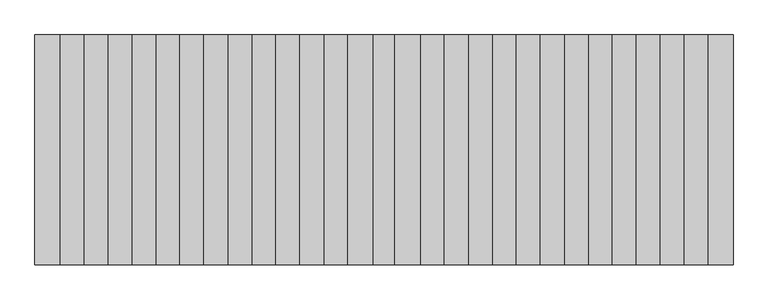
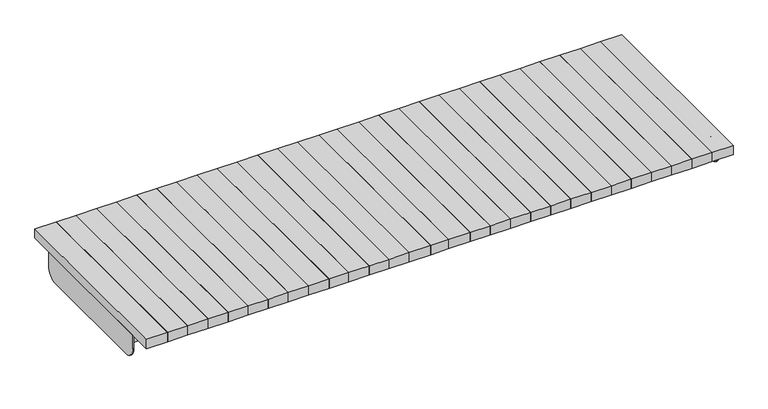
"""IFC4 building model written with IfcOpenShell, lengths in millimetres: furniture geometry."""

from ifc_helpers import new_model, si_unit, frame, origin, place, context, project, spatial, polyline, circle_curve, outline, extrude, source, transform, mapped, element, save
from ifc_brep_helpers import plane_surface, cylinder_surface, revolved_surface, advanced_brep


def furniture_a8c7e746(model_context):
    return source(origin(), model_context, "Body", "SolidModel", [
        extrude(outline(polyline([(124.6248424, -397.505), (37.4933335, -397.505), (37.4933335, 397.495), (124.6248424, 397.495), (124.6248424, -397.505)])), frame((0.0, 0.0, 400.0199971), z_axis=(0.0, 0.0, 1.0), x_axis=(1.0, 0.0, 0.0)), (0.0, 0.0, 1.0), 40.0000027),
        extrude(outline(polyline([(207.3325448, -397.505), (124.6248424, -397.505), (124.6248424, 397.495), (207.3325448, 397.495), (207.3325448, -397.505)])), frame((0.0, 0.0, 400.0199971), z_axis=(0.0, 0.0, 1.0), x_axis=(1.0, 0.0, 0.0)), (0.0, 0.0, 1.0), 40.0000027),
        extrude(outline(polyline([(290.8917209, -397.505), (207.3325448, -397.505), (207.3325448, 397.495), (290.8917209, 397.495), (290.8917209, -397.505)])), frame((0.0, 0.0, 400.0199971), z_axis=(0.0, 0.0, 1.0), x_axis=(1.0, 0.0, 0.0)), (0.0, 0.0, 1.0), 40.0000027),
        extrude(outline(polyline([(373.8901358, -397.505), (290.8917209, -397.505), (290.8917209, 397.495), (373.8901358, 397.495), (373.8901358, -397.505)])), frame((0.0, 0.0, 400.0199971), z_axis=(0.0, 0.0, 1.0), x_axis=(1.0, 0.0, 0.0)), (0.0, 0.0, 1.0), 40.0000027),
        extrude(outline(polyline([(455.8917209, -397.505), (373.8901358, -397.505), (373.8901358, 397.495), (455.8917209, 397.495), (455.8917209, -397.505)])), frame((0.0, 0.0, 400.0199971), z_axis=(0.0, 0.0, 1.0), x_axis=(1.0, 0.0, 0.0)), (0.0, 0.0, 1.0), 40.0000027),
        extrude(outline(polyline([(538.8901358, -397.505), (455.8917209, -397.505), (455.8917209, 397.495), (538.8901358, 397.495), (538.8901358, -397.505)])), frame((0.0, 0.0, 400.0199971), z_axis=(0.0, 0.0, 1.0), x_axis=(1.0, 0.0, 0.0)), (0.0, 0.0, 1.0), 40.0000027),
        extrude(outline(polyline([(623.0197305, -397.505), (538.8901358, -397.505), (538.8901358, 397.495), (623.0197305, 397.495), (623.0197305, -397.505)])), frame((0.0, 0.0, 400.0199971), z_axis=(0.0, 0.0, 1.0), x_axis=(1.0, 0.0, 0.0)), (0.0, 0.0, 1.0), 40.0000027),
        extrude(outline(polyline([(706.1745079, -397.505), (623.0197305, -397.505), (623.0197305, 397.495), (706.1745079, 397.495), (706.1745079, -397.505)])), frame((0.0, 0.0, 400.0199971), z_axis=(0.0, 0.0, 1.0), x_axis=(1.0, 0.0, 0.0)), (0.0, 0.0, 1.0), 40.0000027),
        extrude(outline(polyline([(788.0197305, -397.505), (706.1745079, -397.505), (706.1745079, 397.495), (788.0197305, 397.495), (788.0197305, -397.505)])), frame((0.0, 0.0, 400.0199971), z_axis=(0.0, 0.0, 1.0), x_axis=(1.0, 0.0, 0.0)), (0.0, 0.0, 1.0), 40.0000027),
        extrude(outline(polyline([(871.1745079, -397.505), (788.0197305, -397.505), (788.0197305, 397.495), (871.1745079, 397.495), (871.1745079, -397.505)])), frame((0.0, 0.0, 400.0199971), z_axis=(0.0, 0.0, 1.0), x_axis=(1.0, 0.0, 0.0)), (0.0, 0.0, 1.0), 40.0000027),
        extrude(outline(polyline([(953.0197305, -397.505), (871.1745079, -397.505), (871.1745079, 397.495), (953.0197305, 397.495), (953.0197305, -397.505)])), frame((0.0, 0.0, 400.0199971), z_axis=(0.0, 0.0, 1.0), x_axis=(1.0, 0.0, 0.0)), (0.0, 0.0, 1.0), 40.0000027),
        extrude(outline(polyline([(1037.4999996, -397.505), (953.0197305, -397.505), (953.0197305, 397.495), (1037.4999996, 397.495), (1037.4999996, -397.505)])), frame((0.0, 0.0, 400.0199971), z_axis=(0.0, 0.0, 1.0), x_axis=(1.0, 0.0, 0.0)), (0.0, 0.0, 1.0), 40.0000027),
        extrude(outline(polyline([(1120.5439155, -397.505), (1037.4999996, -397.505), (1037.4999996, 397.495), (1120.5439155, 397.495), (1120.5439155, -397.505)])), frame((0.0, 0.0, 400.0199971), z_axis=(0.0, 0.0, 1.0), x_axis=(1.0, 0.0, 0.0)), (0.0, 0.0, 1.0), 40.0000027),
        extrude(outline(polyline([(1207.4999996, -397.505), (1120.5439155, -397.505), (1120.5439155, 397.495), (1207.4999996, 397.495), (1207.4999996, -397.505)])), frame((0.0, 0.0, 400.0199971), z_axis=(0.0, 0.0, 1.0), x_axis=(1.0, 0.0, 0.0)), (0.0, 0.0, 1.0), 40.0000027),
        extrude(outline(polyline([(37.5066677, -397.505), (-37.4933335, -397.505), (-37.4933335, 397.495), (37.5066677, 397.495), (37.5066677, -397.505)])), frame((0.0, 0.0, 400.0199971), z_axis=(0.0, 0.0, 1.0), x_axis=(1.0, 0.0, 0.0)), (0.0, 0.0, 1.0), 40.0000027),
        extrude(outline(polyline([(-37.4933335, -397.505), (-124.6248424, -397.505), (-124.6248424, 397.495), (-37.4933335, 397.495), (-37.4933335, -397.505)])), frame((0.0, 0.0, 400.0199971), z_axis=(0.0, 0.0, 1.0), x_axis=(1.0, 0.0, 0.0)), (0.0, 0.0, 1.0), 40.0000027),
        extrude(outline(polyline([(-124.6248424, -397.505), (-207.3325448, -397.505), (-207.3325448, 397.495), (-124.6248424, 397.495), (-124.6248424, -397.505)])), frame((0.0, 0.0, 400.0199971), z_axis=(0.0, 0.0, 1.0), x_axis=(1.0, 0.0, 0.0)), (0.0, 0.0, 1.0), 40.0000027),
        extrude(outline(polyline([(-207.3325448, -397.505), (-290.8917209, -397.505), (-290.8917209, 397.495), (-207.3325448, 397.495), (-207.3325448, -397.505)])), frame((0.0, 0.0, 400.0199971), z_axis=(0.0, 0.0, 1.0), x_axis=(1.0, 0.0, 0.0)), (0.0, 0.0, 1.0), 40.0000027),
        extrude(outline(polyline([(-290.8917209, -397.505), (-373.8901358, -397.505), (-373.8901358, 397.495), (-290.8917209, 397.495), (-290.8917209, -397.505)])), frame((0.0, 0.0, 400.0199971), z_axis=(0.0, 0.0, 1.0), x_axis=(1.0, 0.0, 0.0)), (0.0, 0.0, 1.0), 40.0000027),
        extrude(outline(polyline([(-373.8901358, -397.505), (-455.8917209, -397.505), (-455.8917209, 397.495), (-373.8901358, 397.495), (-373.8901358, -397.505)])), frame((0.0, 0.0, 400.0199971), z_axis=(0.0, 0.0, 1.0), x_axis=(1.0, 0.0, 0.0)), (0.0, 0.0, 1.0), 40.0000027),
        extrude(outline(polyline([(-455.8917209, -397.505), (-538.8901358, -397.505), (-538.8901358, 397.495), (-455.8917209, 397.495), (-455.8917209, -397.505)])), frame((0.0, 0.0, 400.0199971), z_axis=(0.0, 0.0, 1.0), x_axis=(1.0, 0.0, 0.0)), (0.0, 0.0, 1.0), 40.0000027),
        extrude(outline(polyline([(-538.8901358, -397.505), (-623.0197305, -397.505), (-623.0197305, 397.495), (-538.8901358, 397.495), (-538.8901358, -397.505)])), frame((0.0, 0.0, 400.0199971), z_axis=(0.0, 0.0, 1.0), x_axis=(1.0, 0.0, 0.0)), (0.0, 0.0, 1.0), 40.0000027),
        extrude(outline(polyline([(-623.0197305, -397.505), (-706.1745079, -397.505), (-706.1745079, 397.495), (-623.0197305, 397.495), (-623.0197305, -397.505)])), frame((0.0, 0.0, 400.0199971), z_axis=(0.0, 0.0, 1.0), x_axis=(1.0, 0.0, 0.0)), (0.0, 0.0, 1.0), 40.0000027),
        extrude(outline(polyline([(-706.1745079, -397.505), (-788.0197305, -397.505), (-788.0197305, 397.495), (-706.1745079, 397.495), (-706.1745079, -397.505)])), frame((0.0, 0.0, 400.0199971), z_axis=(0.0, 0.0, 1.0), x_axis=(1.0, 0.0, 0.0)), (0.0, 0.0, 1.0), 40.0000027),
        extrude(outline(polyline([(-788.0197305, -397.505), (-871.1745079, -397.505), (-871.1745079, 397.495), (-788.0197305, 397.495), (-788.0197305, -397.505)])), frame((0.0, 0.0, 400.0199971), z_axis=(0.0, 0.0, 1.0), x_axis=(1.0, 0.0, 0.0)), (0.0, 0.0, 1.0), 40.0000027),
        extrude(outline(polyline([(-871.1745079, -397.505), (-953.0197305, -397.505), (-953.0197305, 397.495), (-871.1745079, 397.495), (-871.1745079, -397.505)])), frame((0.0, 0.0, 400.0199971), z_axis=(0.0, 0.0, 1.0), x_axis=(1.0, 0.0, 0.0)), (0.0, 0.0, 1.0), 40.0000027),
        extrude(outline(polyline([(-953.0197305, -397.505), (-1037.4999996, -397.505), (-1037.4999996, 397.495), (-953.0197305, 397.495), (-953.0197305, -397.505)])), frame((0.0, 0.0, 400.0199971), z_axis=(0.0, 0.0, 1.0), x_axis=(1.0, 0.0, 0.0)), (0.0, 0.0, 1.0), 40.0000027),
        extrude(outline(polyline([(-1037.4999996, -397.505), (-1120.5439155, -397.505), (-1120.5439155, 397.495), (-1037.4999996, 397.495), (-1037.4999996, -397.505)])), frame((0.0, 0.0, 400.0199971), z_axis=(0.0, 0.0, 1.0), x_axis=(1.0, 0.0, 0.0)), (0.0, 0.0, 1.0), 40.0000027),
        extrude(outline(polyline([(-1120.5439155, -397.505), (-1207.4999996, -397.505), (-1207.4999996, 397.495), (-1120.5439155, 397.495), (-1120.5439155, -397.505)])), frame((0.0, 0.0, 400.0199971), z_axis=(0.0, 0.0, 1.0), x_axis=(1.0, 0.0, 0.0)), (0.0, 0.0, 1.0), 40.0000027),
        advanced_brep(
        [(1202.5, -255.0052389, 330.6662178), (-1202.5, -255.0052389, 330.6662178), (-1202.4999996, -250.0052389, 330.666218), (1202.5, -250.0052389, 330.666218), (-1202.4999996, -250.0052408, 394.2199807), (1202.5, -250.0052408, 394.2199807), (-1202.4999996, -255.8052409, 400.0199805), (1202.5, -255.8052409, 400.0199808), (1207.4999996, -300.0050034, 400.019979), (1207.4999996, 299.9949966, 400.0200001), (-1207.4999996, 299.9949966, 400.0200001), (-1207.4999996, -300.0050034, 400.019979), (-1202.5, 255.809779, 400.0199986), (1202.5, 255.8052409, 400.0199986), (-1202.5, -300.0050033, 395.019979), (1202.5, -300.0050033, 395.019979), (1202.4999996, -300.0050016, 340.0199792), (1207.4999996, -300.0050016, 340.0199792), (-1207.4999996, -300.0050016, 340.0199792), (-1202.4999996, -300.0050016, 340.0199792), (-1202.4999996, -255.8052408, 395.0199803), (1202.5, -255.8052408, 395.0199803), (-1202.4999996, -255.0052408, 394.2199806), (1202.5, -255.0052443, 394.2199806), (-1202.4999996, -250.0050001, 290.0199807), (-1202.4999996, 249.9949999, 290.0199956), (-1202.4999996, 299.9949984, 340.0199971), (-1202.4999996, 299.9949967, 395.019979), (-1202.4999996, 255.8052408, 395.0199803), (-1202.4999996, 255.0052408, 394.2199806), (-1202.4999996, 255.0052389, 330.6662178), (-1202.4999996, 250.0052389, 330.666218), (-1202.4999996, 250.0052408, 394.2199807), (-1207.4999996, -250.0050001, 290.0199807), (-1207.4999996, 299.9949984, 340.0199971), (-1207.4999996, 249.9949999, 290.0199956), (1207.4999996, 299.9949984, 340.0199971), (1202.4999996, 299.9949984, 340.0199971), (1202.4999996, 299.9949967, 395.019979), (1202.5, 250.0052389, 330.666218), (1202.5, 255.0052389, 330.6662178), (1202.4999996, 250.0052408, 394.2199807), (1202.4999996, 255.8052408, 395.0199803), (1202.4999996, 255.0052443, 394.2199806), (1202.4999996, -250.0050001, 290.0199807), (1202.4999996, 249.9949999, 290.0199956), (1207.4999996, -250.0050001, 290.0199807), (1207.4999996, 249.9949999, 290.0199956)],
        [
            (0, 1),
            (1, 2),
            (2, 3),
            (3, 0),
            (2, 4),
            (4, 5),
            (5, 3),
            (4, 6, circle_curve(frame((-1202.4999996, -255.8052408, 394.2199805), z_axis=(1.0, -1.4729793506691864e-09, 1.0058524330582065e-10), x_axis=(1.4729793476701106e-09, 0.9999999999999997, 2.981625631411015e-08)), 5.8)),
            (6, 7),
            (7, 5, circle_curve(frame((1202.4999996, -255.8052443, 394.2199808), z_axis=(-1.0, 1.4729793506691864e-09, -1.0058524330582065e-10), x_axis=(1.4729793476701106e-09, 0.9999999999999997, 2.981625631411015e-08)), 5.8)),
            (8, 9),
            (9, 10),
            (10, 11),
            (11, 8),
            (6, 12),
            (12, 13),
            (13, 7),
            (14, 15),
            (15, 16),
            (16, 17),
            (17, 8),
            (11, 18),
            (18, 19),
            (19, 14),
            (14, 20),
            (20, 21),
            (21, 15),
            (20, 22, circle_curve(frame((-1202.4999996, -255.8052408, 394.2199805), z_axis=(-1.0, 1.4710073188825736e-09, -1.0253393730869114e-10), x_axis=(1.471007315816462e-09, 0.9999999999999996, 2.9903375772732716e-08)), 0.8)),
            (22, 23),
            (23, 21, circle_curve(frame((1202.4999996, -255.8052443, 394.2199808), z_axis=(1.0, -1.4710073188825736e-09, 1.0253393730869114e-10), x_axis=(1.471007315816462e-09, 0.9999999999999996, 2.9903375772732716e-08)), 0.8)),
            (0, 23),
            (22, 1),
            (24, 25),
            (25, 26, circle_curve(frame((-1202.4999996, 249.9949984, 340.0199956), z_axis=(1.0, -1.4728238285674491e-09, 1.0072284213799856e-10), x_axis=(1.472823825565667e-09, 0.9999999999999996, 2.980239029426424e-08)), 50.0)),
            (26, 27),
            (27, 28),
            (28, 29, circle_curve(frame((-1202.4999996, 255.8052408, 394.2199805), z_axis=(1.0, 1.4710073188825736e-09, 1.0253393730869114e-10), x_axis=(1.471007315816462e-09, -0.9999999999999996, 2.9903375772732716e-08)), 0.8)),
            (29, 30),
            (30, 31),
            (31, 32),
            (32, 12, circle_curve(frame((-1202.4999996, 255.8052408, 394.2199805), z_axis=(-1.0, -1.4729793506691864e-09, -1.0058524330582065e-10), x_axis=(1.4729793476701106e-09, -0.9999999999999997, 2.981625631411015e-08)), 5.8)),
            (19, 24, circle_curve(frame((-1202.4999996, -250.0050016, 340.0199807), z_axis=(1.0, -1.4728238285671511e-09, 1.0071201346671231e-10), x_axis=(1.0071205736039778e-10, 2.980240044614414e-08, -0.9999999999999996)), 50.0)),
            (33, 18, circle_curve(frame((-1207.4999996, -250.0050016, 340.0199807), z_axis=(-1.0, 1.4728238285671511e-09, -1.0071201346671231e-10), x_axis=(1.0071205736039778e-10, 2.980240044614414e-08, -0.9999999999999996)), 50.0)),
            (10, 34),
            (34, 35, circle_curve(frame((-1207.4999997, 249.9949984, 340.0199956), z_axis=(-1.0, 1.4728238285674491e-09, -1.0072284213799856e-10), x_axis=(1.472823825565667e-09, 0.9999999999999996, 2.980239029426424e-08)), 50.0)),
            (35, 33),
            (24, 33),
            (35, 25),
            (34, 26),
            (9, 36),
            (36, 37),
            (37, 38),
            (38, 27),
            (39, 31),
            (30, 40),
            (40, 39),
            (39, 41),
            (41, 32),
            (41, 13, circle_curve(frame((1202.4999996, 255.8052443, 394.2199808), z_axis=(-1.0, -1.4729793506691864e-09, -1.0058524330582065e-10), x_axis=(1.4729793476701106e-09, -0.9999999999999997, 2.981625631411015e-08)), 5.8)),
            (38, 42),
            (42, 28),
            (42, 43, circle_curve(frame((1202.4999996, 255.8052443, 394.2199808), z_axis=(1.0, 1.4710073188825736e-09, 1.0253393730869114e-10), x_axis=(1.471007315816462e-09, -0.9999999999999996, 2.9903375772732716e-08)), 0.8)),
            (43, 29),
            (43, 40),
            (44, 16, circle_curve(frame((1202.4999996, -250.0050016, 340.0199807), z_axis=(-1.0, -1.4728238285671511e-09, 1.0071201346671231e-10), x_axis=(-1.0071205736039778e-10, 2.980240044614414e-08, -0.9999999999999996)), 50.0)),
            (37, 45, circle_curve(frame((1202.4999997, 249.9949984, 340.0199956), z_axis=(-1.0, -1.4728238285674491e-09, 1.0072284213799856e-10), x_axis=(-1.472823825565667e-09, 0.9999999999999996, 2.980239029426424e-08)), 50.0)),
            (45, 44),
            (46, 47),
            (47, 36, circle_curve(frame((1207.4999996, 249.9949984, 340.0199956), z_axis=(1.0, 1.4728238285674491e-09, -1.0072284213799856e-10), x_axis=(-1.472823825565667e-09, 0.9999999999999996, 2.980239029426424e-08)), 50.0)),
            (17, 46, circle_curve(frame((1207.4999995, -250.0050016, 340.0199807), z_axis=(1.0, 1.4728238285671511e-09, -1.0071201346671231e-10), x_axis=(-1.0071205736039778e-10, 2.980240044614414e-08, -0.9999999999999996)), 50.0)),
            (45, 47),
            (46, 44),
        ],
        [
            plane_surface(frame((1202.5, -255.0052389, 330.6662178), z_axis=(0.0, 2.980239841576795e-08, -0.9999999999999996), x_axis=(-1.0, 0.0, 0.0))),
            plane_surface(frame((1202.5, -250.0052389, 330.666218), z_axis=(0.0, 0.9999999999999996, 2.980240022020984e-08), x_axis=(-1.0, 0.0, 0.0))),
            cylinder_surface(frame((-1202.5, -255.8052408, 394.2199805), z_axis=(1.0000000000000002, -1.4729793506691869e-09, 1.0058524330582068e-10), x_axis=(1.4729793476701106e-09, 0.9999999999999997, 2.981625631411015e-08)), 5.8),
            plane_surface(frame((1202.5, -255.8052409, 400.0199805), z_axis=(0.0, -3.5287304541834854e-08, 0.9999999999999994), x_axis=(-1.0, 0.0, 0.0))),
            plane_surface(frame((1202.5, -300.0050034, 400.019979), z_axis=(0.0, -0.9999999999999996, -2.980239841576875e-08), x_axis=(-1.0, 0.0, 0.0))),
            plane_surface(frame((1202.5, -300.0050033, 395.019979), z_axis=(0.0, 2.9802399936551885e-08, -0.9999999999999997), x_axis=(-1.0, 0.0, 0.0))),
            revolved_surface(polyline([(-1202.4999996, -255.0052408, 394.21998052392274), (1202.5000000012587, -255.0052443377726, 394.2199807705169)]), (-1202.5, -255.8052408, 394.2199805), (-1.0, 1.4710073188825736e-09, -1.0253393730869114e-10)),
            plane_surface(frame((1202.5, -255.0052408, 394.2199806), z_axis=(0.0, -0.9999999999999996, -2.9802466244784324e-08), x_axis=(-1.0, 0.0, 0.0))),
            plane_surface(frame((-1202.4999996, -250.0050001, 290.0199807), z_axis=(1.0, 0.0, 0.0), x_axis=(0.0, 0.9999999999999996, 2.980260219782634e-08))),
            plane_surface(frame((-1207.4999996, -250.0050001, 290.0199807), z_axis=(-1.0, 0.0, 0.0), x_axis=(0.0, -0.9999999999999996, -2.980260219782634e-08))),
            plane_surface(frame((-1202.4999996, -250.0050001, 290.0199807), z_axis=(0.0, 2.980260219782634e-08, -0.9999999999999996), x_axis=(-1.0, 0.0, 0.0))),
            cylinder_surface(frame((-1207.4999996, 249.9949984, 340.0199956), z_axis=(1.0, -1.4728238285674491e-09, 1.0072284213799856e-10), x_axis=(1.472823825565667e-09, 0.9999999999999996, 2.980239029426424e-08)), 50.0),
            plane_surface(frame((-1202.4999996, 299.9949984, 340.0199971), z_axis=(0.0, 0.9999999999999996, 2.9802398415467985e-08), x_axis=(-1.0, 0.0, 0.0))),
            cylinder_surface(frame((-1207.4999996, -250.0050016, 340.0199807), z_axis=(1.0, -1.4728238285671511e-09, 1.0071201346671231e-10), x_axis=(1.0071205736039778e-10, 2.980240044614414e-08, -0.9999999999999996)), 50.0),
            plane_surface(frame((1202.5, 250.0052389, 330.666218), z_axis=(0.0, -2.980239841576795e-08, -0.9999999999999996), x_axis=(-1.0, 0.0, 0.0))),
            plane_surface(frame((1202.5, 250.0052408, 394.2199807), z_axis=(0.0, -0.9999999999999996, 2.980240022020984e-08), x_axis=(-1.0, 0.0, 0.0))),
            cylinder_surface(frame((-1202.5, 255.8052408, 394.2199805), z_axis=(1.0000000000000002, 1.4729793506691869e-09, 1.0058524330582068e-10), x_axis=(1.4729793476701106e-09, -0.9999999999999997, 2.981625631411015e-08)), 5.8),
            plane_surface(frame((1202.5, 255.8052408, 395.0199803), z_axis=(0.0, -2.9802399936551885e-08, -0.9999999999999997), x_axis=(-1.0, 0.0, 0.0))),
            revolved_surface(polyline([(-1202.4999996, 255.0052408, 394.21998052392274), (1202.4999996012584, 255.0052443377726, 394.2199807705169)]), (-1202.5, 255.8052408, 394.2199805), (-1.0, -1.4710073188825736e-09, -1.0253393730869114e-10)),
            plane_surface(frame((1202.5, 255.0052389, 330.6662178), z_axis=(0.0, 0.9999999999999996, -2.9802466244784324e-08), x_axis=(-1.0, 0.0, 0.0))),
            plane_surface(frame((1202.4999996, -250.0050001, 290.0199807), z_axis=(-1.0, 0.0, 0.0), x_axis=(0.0, -0.9999999999999996, -2.9802400446292474e-08))),
            plane_surface(frame((1207.4999996, -250.0050001, 290.0199807), z_axis=(1.0, 0.0, 0.0), x_axis=(0.0, 0.9999999999999996, 2.9802400446292474e-08))),
            plane_surface(frame((1202.4999996, 249.9949999, 290.0199956), z_axis=(0.0, 2.980260219782633e-08, -0.9999999999999996), x_axis=(1.0, 0.0, 0.0))),
            cylinder_surface(frame((1207.4999996, 249.9949984, 340.0199956), z_axis=(-1.0, -1.4728238285674491e-09, 1.0072284213799856e-10), x_axis=(-1.472823825565667e-09, 0.9999999999999996, 2.980239029426424e-08)), 50.0),
            cylinder_surface(frame((1207.4999996, -250.0050016, 340.0199807), z_axis=(-1.0, -1.4728238285671511e-09, 1.0071201346671231e-10), x_axis=(-1.0071205736039778e-10, 2.980240044614414e-08, -0.9999999999999996)), 50.0),
        ],
        [
            (0, [[1, 2, 3, 4]]),
            (1, [[-3, 5, 6, 7]]),
            (2, [[-6, 8, 9, 10]]),
            (3, [[11, 12, 13, 14], [-9, 15, 16, 17]]),
            (4, [[18, 19, 20, 21, -14, 22, 23, 24]]),
            (5, [[-18, 25, 26, 27]]),
            (6, [[-26, 28, 29, 30]]),
            (7, [[-1, 31, -29, 32]]),
            (8, [[33, 34, 35, 36, 37, 38, 39, 40, 41, -15, -8, -5, -2, -32, -28, -25, -24, 42]]),
            (9, [[43, -22, -13, 44, 45, 46]]),
            (10, [[-33, 47, -46, 48]]),
            (11, [[-34, -48, -45, 49]]),
            (12, [[-44, -12, 50, 51, 52, 53, -35, -49]]),
            (13, [[-42, -23, -43, -47]]),
            (14, [[54, -39, 55, 56]]),
            (15, [[-54, 57, 58, -40]]),
            (16, [[-58, 59, -16, -41]]),
            (17, [[-53, 60, 61, -36]]),
            (18, [[-61, 62, 63, -37]]),
            (19, [[-55, -38, -63, 64]]),
            (20, [[65, -19, -27, -30, -31, -4, -7, -10, -17, -59, -57, -56, -64, -62, -60, -52, 66, 67]]),
            (21, [[68, 69, -50, -11, -21, 70]]),
            (22, [[-67, 71, -68, 72]]),
            (23, [[-66, -51, -69, -71]]),
            (24, [[-65, -72, -70, -20]]),
        ],
    ),
    ])


if __name__ == "__main__":
    model = new_model("IFC4")
    model_context = context("Model", 3, world=origin())
    ifc_project = project(units=[si_unit("LENGTHUNIT", "METRE", prefix="MILLI")], contexts=[model_context])
    site = spatial("IfcSite", under=ifc_project)
    building = spatial("IfcBuilding", under=site)
    placement = place(None, origin())
    furniture_shape = furniture_a8c7e746(model_context)
    element("IfcFurniture", 1, at=placement, inside=building, context=model_context, shape_type="MappedRepresentation", body=[
        mapped(furniture_shape, transform((0.0, 0.0, 0.0), x_axis=(1.0, 0.0, 0.0), y_axis=(0.0, 1.0, 0.0), z_axis=(0.0, 0.0, 1.0))),
    ])
    save(model, "model.ifc")
